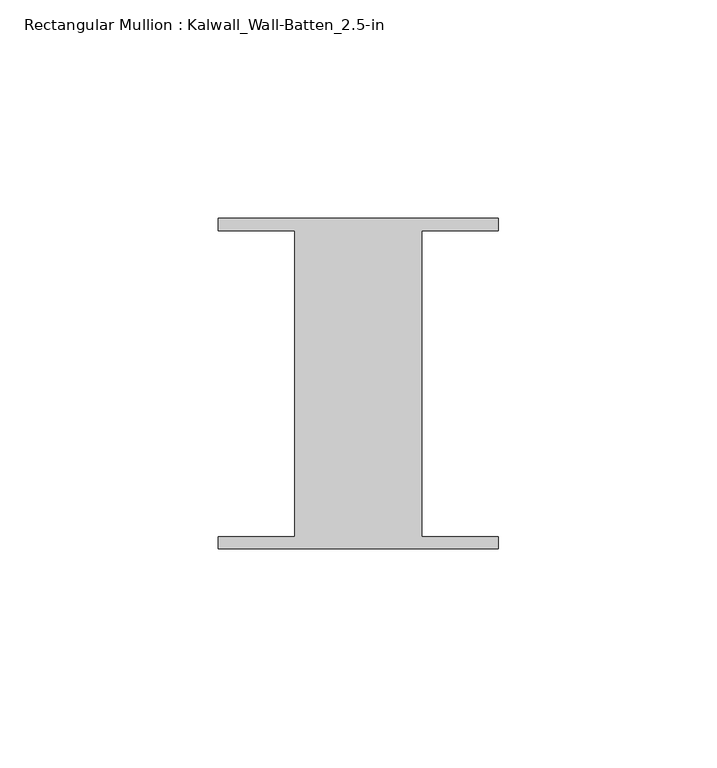
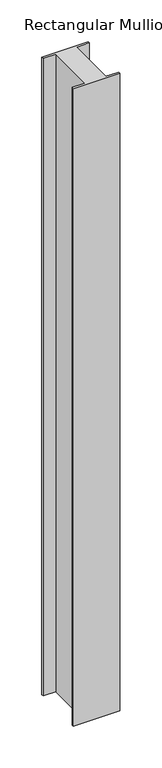
"""IFC4 building model written with IfcOpenShell, lengths in millimetres: member geometry, Rectangular Mullion : Kalwall_Wall-Batten_2.5-in."""

from ifc_helpers import new_model, si_unit, frame, origin, place, context, project, spatial, polyline, outline, extrude, source, transform, mapped, element, save


def rectangular_mullion_kalwall_wall_batten_2_5_in_b0c911ba(model_context):
    return source(origin(), model_context, "Body", "SweptSolid", [
        extrude(outline(polyline([(-32.0, 36.524), (32.0, 36.524), (32.0, 33.73), (14.5, 33.73), (14.5, -36.27), (32.0, -36.27), (32.0, -39.064), (-32.0, -39.064), (-32.0, -36.27), (-14.5, -36.27), (-14.5, 33.73), (-32.0, 33.73), (-32.0, 36.524)])), frame((0.0, 0.0, -930.275), z_axis=(0.0, 0.0, 1.0), x_axis=(1.0, 0.0, 0.0)), (0.0, 0.0, 1.0), 930.275),
    ])


if __name__ == "__main__":
    model = new_model("IFC4")
    model_context = context("Model", 3, world=origin())
    ifc_project = project(units=[si_unit("LENGTHUNIT", "METRE", prefix="MILLI")], contexts=[model_context])
    site = spatial("IfcSite", under=ifc_project)
    building = spatial("IfcBuilding", under=site)
    placement = place(None, origin())
    rectangular_mullion_kalwall_wall_batten_2_5_in_shape = rectangular_mullion_kalwall_wall_batten_2_5_in_b0c911ba(model_context)
    element("IfcMember", 1, ObjectType="Rectangular Mullion : Kalwall_Wall-Batten_2.5-in", at=placement, inside=building, context=model_context, shape_type="MappedRepresentation", body=[
        mapped(rectangular_mullion_kalwall_wall_batten_2_5_in_shape, transform((0.0, 0.0, 0.0), x_axis=(1.0, 0.0, 0.0), y_axis=(0.0, 1.0, 0.0), z_axis=(0.0, 0.0, 1.0))),
    ])
    save(model, "model.ifc")
